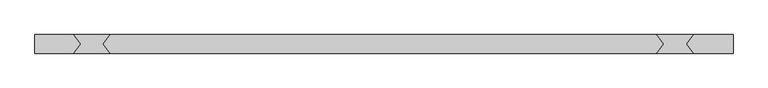
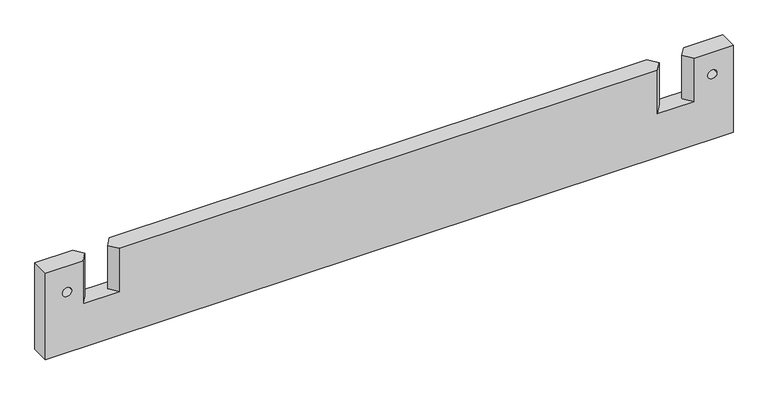
"""IFC4 building model written with IfcOpenShell, lengths in millimetres: proxy geometry."""

from ifc_helpers import new_model, si_unit, frame, origin, place, context, project, spatial, polyline, circle_curve, source, transform, mapped, element, save
from ifc_brep_helpers import plane_surface, revolved_surface, advanced_brep


def generic_models_6a4cbaad(model_context):
    return source(origin(), model_context, "Body", "AdvancedBrep", [
        advanced_brep(
        [(-747.5379144, 20.0, 200.0), (-747.5379144, -20.0, 200.0), (-665.2031005, -20.0, 200.0), (-650.1320195, 0.0, 200.0), (-665.2031005, 20.0, 200.0), (752.4620856, -20.0, 200.0), (752.4620856, 20.0, 200.0), (667.5379144, 20.0, 200.0), (652.4668334, 0.0, 200.0), (667.5379144, -20.0, 200.0), (-600.2741815, 0.0, 200.0), (-585.2031005, -20.0, 200.0), (587.5379144, -20.0, 200.0), (602.6089954, 0.0, 200.0), (587.5379144, 20.0, 200.0), (-585.2031005, 20.0, 200.0), (752.4620856, 20.0, 0.0), (752.4620856, -20.0, 0.0), (-747.5379144, -20.0, 0.0), (-747.5379144, 20.0, 0.0), (-665.2031005, 20.0, 100.0), (-585.2031005, 20.0, 100.0), (587.5379144, 20.0, 100.0), (667.5379144, 20.0, 100.0), (-710.5838884, 20.0, 139.9979895), (-690.5838884, 20.0, 139.9979895), (697.3089417, 20.0, 149.3372454), (717.3089417, 20.0, 149.3372454), (667.5379144, -20.0, 100.0), (587.5379144, -20.0, 100.0), (-585.2031005, -20.0, 100.0), (-665.2031005, -20.0, 100.0), (-690.5838884, -20.0, 139.9979895), (-710.5838884, -20.0, 139.9979895), (717.3089417, -20.0, 149.3372454), (697.3089417, -20.0, 149.3372454), (-650.1320195, 0.0, 100.0), (-600.2741815, 0.0, 100.0), (602.6089954, 0.0, 100.0), (652.4668334, 0.0, 100.0)],
        [
            (0, 1),
            (1, 2),
            (2, 3),
            (3, 4),
            (4, 0),
            (5, 6),
            (6, 7),
            (7, 8),
            (8, 9),
            (9, 5),
            (10, 11),
            (11, 12),
            (12, 13),
            (13, 14),
            (14, 15),
            (15, 10),
            (16, 17),
            (17, 18),
            (18, 19),
            (19, 16),
            (19, 0),
            (4, 20),
            (20, 21),
            (21, 15),
            (14, 22),
            (22, 23),
            (23, 7),
            (6, 16),
            (24, 25, circle_curve(frame((-700.5838884, 20.0, 139.9979895), z_axis=(0.0, -1.0, 0.0), x_axis=(1.0, 0.0, 0.0)), 10.0)),
            (25, 24, circle_curve(frame((-700.5838884, 20.0, 139.9979895), z_axis=(0.0, -1.0, 0.0), x_axis=(1.0, 0.0, 0.0)), 10.0)),
            (26, 27, circle_curve(frame((707.3089417, 20.0, 149.3372454), z_axis=(0.0, -1.0, 0.0), x_axis=(-1.0, 0.0, 0.0)), 10.0)),
            (27, 26, circle_curve(frame((707.3089417, 20.0, 149.3372454), z_axis=(0.0, -1.0, 0.0), x_axis=(-1.0, 0.0, 0.0)), 10.0)),
            (18, 1),
            (17, 5),
            (9, 28),
            (28, 29),
            (29, 12),
            (11, 30),
            (30, 31),
            (31, 2),
            (32, 33, circle_curve(frame((-700.5838884, -20.0, 139.9979895), z_axis=(0.0, 1.0, 0.0), x_axis=(1.0, 0.0, 0.0)), 10.0)),
            (33, 32, circle_curve(frame((-700.5838884, -20.0, 139.9979895), z_axis=(0.0, 1.0, 0.0), x_axis=(1.0, 0.0, 0.0)), 10.0)),
            (34, 35, circle_curve(frame((707.3089417, -20.0, 149.3372454), z_axis=(0.0, 1.0, 0.0), x_axis=(-1.0, 0.0, 0.0)), 10.0)),
            (35, 34, circle_curve(frame((707.3089417, -20.0, 149.3372454), z_axis=(0.0, 1.0, 0.0), x_axis=(-1.0, 0.0, 0.0)), 10.0)),
            (20, 36),
            (36, 31),
            (30, 37),
            (37, 21),
            (3, 36),
            (10, 37),
            (22, 38),
            (38, 29),
            (28, 39),
            (39, 23),
            (39, 8),
            (38, 13),
            (32, 25),
            (24, 33),
            (34, 27),
            (26, 35),
        ],
        [
            plane_surface(frame((-747.5379144, 20.0, 200.0), z_axis=(0.0, 0.0, 1.0), x_axis=(-1.0, 0.0, 0.0))),
            plane_surface(frame((-747.5379144, 20.0, 0.0), z_axis=(0.0, 0.0, -1.0), x_axis=(1.0, 0.0, 0.0))),
            plane_surface(frame((752.4620856, 20.0, 200.0), z_axis=(0.0, 1.0, 0.0), x_axis=(0.0, 0.0, -1.0))),
            plane_surface(frame((-747.5379144, 20.0, 200.0), z_axis=(-1.0, 0.0, 0.0), x_axis=(0.0, 0.0, -1.0))),
            plane_surface(frame((-747.5379144, -20.0, 200.0), z_axis=(0.0, -1.0, 0.0), x_axis=(0.0, 0.0, -1.0))),
            plane_surface(frame((752.4620856, -20.0, 200.0), z_axis=(1.0, 0.0, 0.0), x_axis=(0.0, 0.0, -1.0))),
            plane_surface(frame((-665.2031005, 20.0, 100.0), z_axis=(0.0, 0.0, 1.0), x_axis=(1.0, 0.0, 0.0))),
            plane_surface(frame((-665.2031005, 20.0, 200.0), z_axis=(0.7986355100472906, 0.6018150231520514, 0.0), x_axis=(0.0, 0.0, -1.0))),
            plane_surface(frame((-650.1320195, 0.0, 200.0), z_axis=(0.7986355100472912, -0.6018150231520506, 0.0), x_axis=(0.0, 0.0, -1.0))),
            plane_surface(frame((-585.2031005, -20.0, 200.0), z_axis=(-0.7986355100472906, -0.6018150231520514, 0.0), x_axis=(0.0, 0.0, -1.0))),
            plane_surface(frame((-600.2741815, 0.0, 200.0), z_axis=(-0.7986355100472912, 0.6018150231520506, 0.0), x_axis=(0.0, 0.0, -1.0))),
            plane_surface(frame((587.5379144, 20.0, 100.0), z_axis=(0.0, 0.0, 1.0), x_axis=(-0.6018150231520506, 0.7986355100472912, 0.0))),
            plane_surface(frame((652.4668334, 0.0, 200.0), z_axis=(-0.7986355100472906, 0.6018150231520514, 0.0), x_axis=(0.0, 0.0, -1.0))),
            plane_surface(frame((667.5379144, -20.0, 200.0), z_axis=(-0.7986355100472912, -0.6018150231520506, 0.0), x_axis=(0.0, 0.0, -1.0))),
            plane_surface(frame((602.6089954, 0.0, 200.0), z_axis=(0.7986355100472906, -0.6018150231520514, 0.0), x_axis=(0.0, 0.0, -1.0))),
            plane_surface(frame((587.5379144, 20.0, 200.0), z_axis=(0.7986355100472912, 0.6018150231520506, 0.0), x_axis=(0.0, 0.0, -1.0))),
            revolved_surface(polyline([(-690.5838884, -20.0, 139.9979895), (-690.5838884, 20.0, 139.9979895)]), (-700.5838884, 20.0, 139.9979895), (0.0, -1.0, 0.0)),
            revolved_surface(polyline([(697.3089417, -20.0, 149.3372454), (697.3089417, 20.0, 149.3372454)]), (707.3089417, 20.0, 149.3372454), (0.0, -1.0, 0.0)),
        ],
        [
            (0, [[1, 2, 3, 4, 5]]),
            (0, [[6, 7, 8, 9, 10]]),
            (0, [[11, 12, 13, 14, 15, 16]]),
            (1, [[17, 18, 19, 20]]),
            (2, [[-20, 21, -5, 22, 23, 24, -15, 25, 26, 27, -7, 28], [29, 30], [31, 32]]),
            (3, [[-1, -21, -19, 33]]),
            (4, [[-18, 34, -10, 35, 36, 37, -12, 38, 39, 40, -2, -33], [41, 42], [43, 44]]),
            (5, [[-6, -34, -17, -28]]),
            (6, [[45, 46, -39, 47, 48, -23]]),
            (7, [[-45, -22, -4, 49]]),
            (8, [[-46, -49, -3, -40]]),
            (9, [[-47, -38, -11, 50]]),
            (10, [[-48, -50, -16, -24]]),
            (11, [[51, 52, -36, 53, 54, -26]]),
            (12, [[-54, 55, -8, -27]]),
            (13, [[-53, -35, -9, -55]]),
            (14, [[-52, 56, -13, -37]]),
            (15, [[-51, -25, -14, -56]]),
            (16, [[57, -29, 58, -41]]),
            (16, [[-57, -42, -58, -30]]),
            (17, [[59, -31, 60, -43]]),
            (17, [[-59, -44, -60, -32]]),
        ],
    ),
    ])


if __name__ == "__main__":
    model = new_model("IFC4")
    model_context = context("Model", 3, world=origin())
    ifc_project = project(units=[si_unit("LENGTHUNIT", "METRE", prefix="MILLI")], contexts=[model_context])
    site = spatial("IfcSite", under=ifc_project)
    building = spatial("IfcBuilding", under=site)
    placement = place(None, origin())
    generic_models_shape = generic_models_6a4cbaad(model_context)
    element("IfcBuildingElementProxy", 1, Name="Generic Models", at=placement, inside=building, context=model_context, shape_type="MappedRepresentation", body=[
        mapped(generic_models_shape, transform((0.0, 0.0, 0.0), x_axis=(1.0, 0.0, 0.0), y_axis=(0.0, 1.0, 0.0), z_axis=(0.0, 0.0, 1.0))),
    ])
    save(model, "model.ifc")
